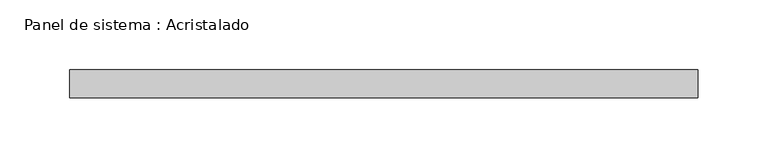
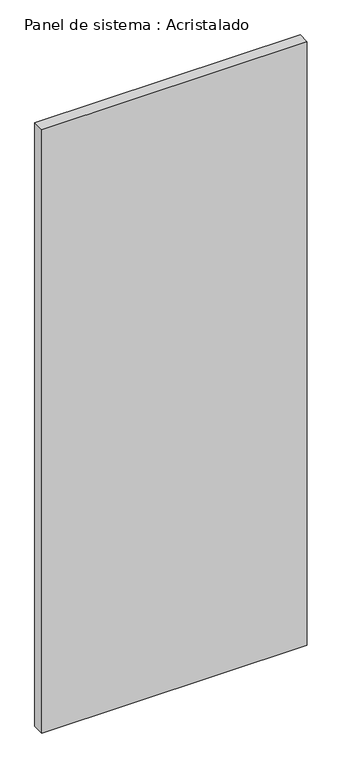
"""IFC4 building model written with IfcOpenShell, lengths in millimetres: plate geometry, Panel de sistema : Acristalado."""

from ifc_helpers import new_model, si_unit, origin, origin_with_axes, place, context, project, spatial, polyline, outline, extrude, source, transform, mapped, element, save


def panel_de_sistema_acristalado_dc9b2c60(model_context):
    return source(origin(), model_context, "Body", "SweptSolid", [
        extrude(outline(polyline([(225.0, -10.0), (-225.0, -10.0), (-225.0, 10.0), (225.0, 10.0), (225.0, -10.0)])), origin_with_axes(), (0.0, 0.0, 1.0), 1080.6768161),
    ])


if __name__ == "__main__":
    model = new_model("IFC4")
    model_context = context("Model", 3, world=origin())
    ifc_project = project(units=[si_unit("LENGTHUNIT", "METRE", prefix="MILLI")], contexts=[model_context])
    site = spatial("IfcSite", under=ifc_project)
    building = spatial("IfcBuilding", under=site)
    placement = place(None, origin())
    panel_de_sistema_acristalado_shape = panel_de_sistema_acristalado_dc9b2c60(model_context)
    element("IfcPlate", 1, ObjectType="Panel de sistema : Acristalado", at=placement, inside=building, context=model_context, shape_type="MappedRepresentation", body=[
        mapped(panel_de_sistema_acristalado_shape, transform((0.0, 0.0, 0.0), x_axis=(1.0, 0.0, 0.0), y_axis=(0.0, 1.0, 0.0), z_axis=(0.0, 0.0, 1.0))),
    ])
    save(model, "model.ifc")
